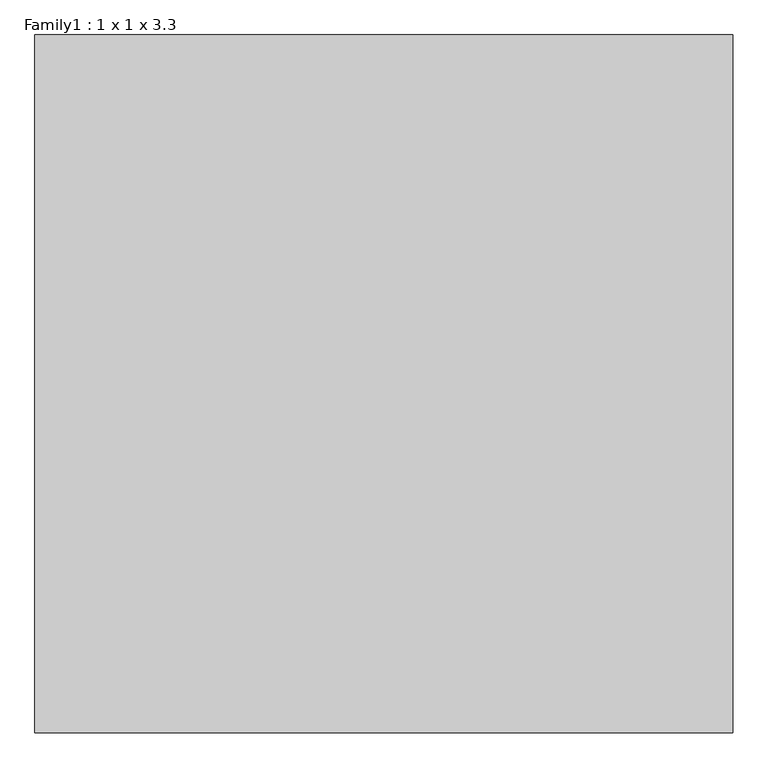
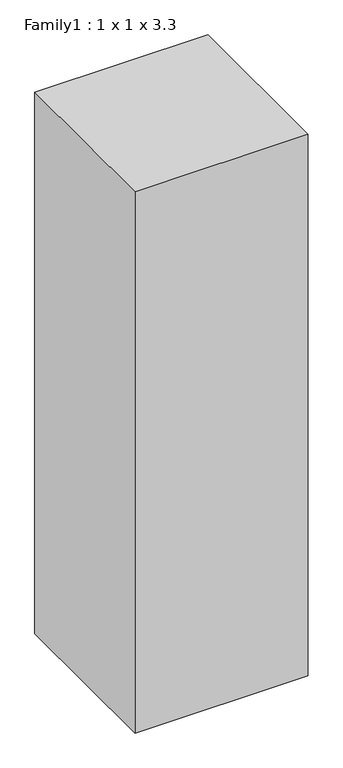
"""IFC4 building model written with IfcOpenShell, lengths in millimetres: proxy geometry, Family1 : 1 x 1 x 3.3."""

from ifc_helpers import new_model, si_unit, origin, origin_with_axes, place, context, project, spatial, polyline, outline, extrude, source, transform, mapped, element, save


def family1_1_x_1_x_3_3_37d4edc4(model_context):
    return source(origin(), model_context, "Body", "SweptSolid", [
        extrude(outline(polyline([(400.0, -600.0), (-600.0, -600.0), (-600.0, 400.0), (400.0, 400.0), (400.0, -600.0)])), origin_with_axes(), (0.0, 0.0, 1.0), 3300.0),
    ])


if __name__ == "__main__":
    model = new_model("IFC4")
    model_context = context("Model", 3, world=origin())
    ifc_project = project(units=[si_unit("LENGTHUNIT", "METRE", prefix="MILLI")], contexts=[model_context])
    site = spatial("IfcSite", under=ifc_project)
    building = spatial("IfcBuilding", under=site)
    placement = place(None, origin())
    family1_1_x_1_x_3_3_shape = family1_1_x_1_x_3_3_37d4edc4(model_context)
    element("IfcBuildingElementProxy", 1, Name="Family1 : 1 x 1 x 3.3", ObjectType="Family1 : 1 x 1 x 3.3", at=placement, inside=building, context=model_context, shape_type="MappedRepresentation", body=[
        mapped(family1_1_x_1_x_3_3_shape, transform((0.0, 0.0, 0.0), x_axis=(1.0, 0.0, 0.0), y_axis=(0.0, 1.0, 0.0), z_axis=(0.0, 0.0, 1.0))),
    ])
    save(model, "model.ifc")
